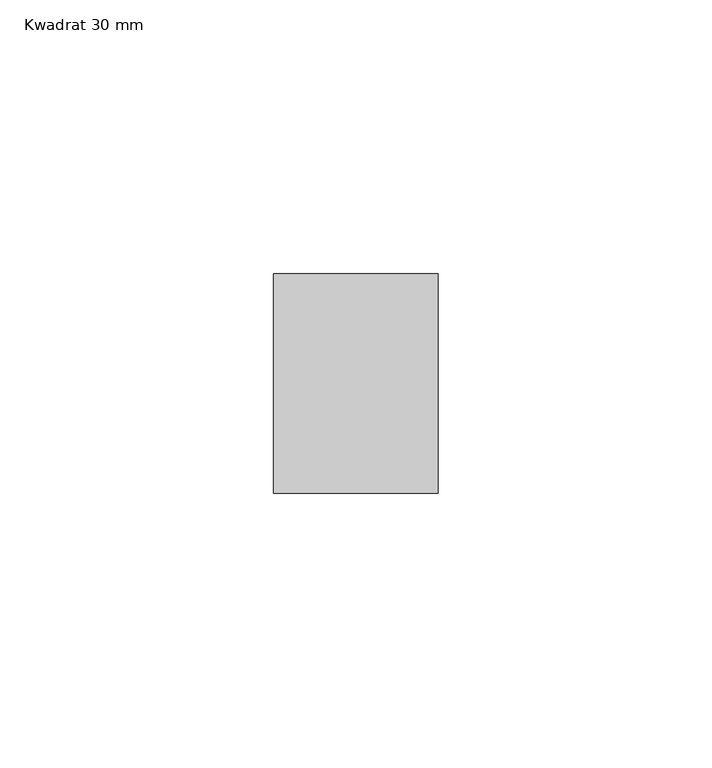
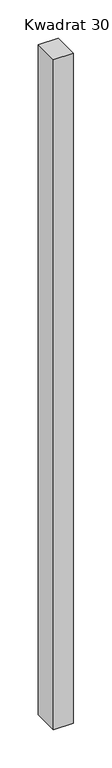
"""IFC4 building model written with IfcOpenShell, lengths in millimetres: member geometry, Kwadrat 30 mm."""

from ifc_helpers import new_model, si_unit, frame, origin, place, context, project, spatial, polyline, outline, extrude, source, transform, mapped, element, save


def kwadrat_30_mm_ed0ade25(model_context):
    return source(origin(), model_context, "Body", "SweptSolid", [
        extrude(outline(polyline([(15.0, 20.0), (15.0, -20.0), (-15.0, -20.0), (-15.0, 20.0), (15.0, 20.0)])), frame((0.0, 0.0, -1070.0), z_axis=(0.0, 0.0, 1.0), x_axis=(1.0, 0.0, 0.0)), (0.0, 0.0, 1.0), 1070.0),
    ])


if __name__ == "__main__":
    model = new_model("IFC4")
    model_context = context("Model", 3, world=origin())
    ifc_project = project(units=[si_unit("LENGTHUNIT", "METRE", prefix="MILLI")], contexts=[model_context])
    site = spatial("IfcSite", under=ifc_project)
    building = spatial("IfcBuilding", under=site)
    placement = place(None, origin())
    kwadrat_30_mm_shape = kwadrat_30_mm_ed0ade25(model_context)
    element("IfcMember", 1, ObjectType="Kwadrat 30 mm", at=placement, inside=building, context=model_context, shape_type="MappedRepresentation", body=[
        mapped(kwadrat_30_mm_shape, transform((0.0, 0.0, 0.0), x_axis=(1.0, 0.0, 0.0), y_axis=(0.0, 1.0, 0.0), z_axis=(0.0, 0.0, 1.0))),
    ])
    save(model, "model.ifc")
